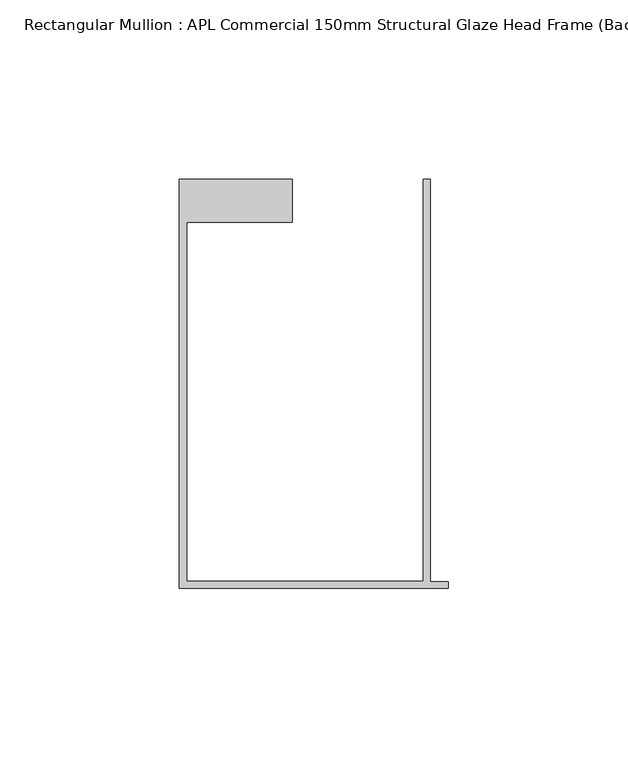
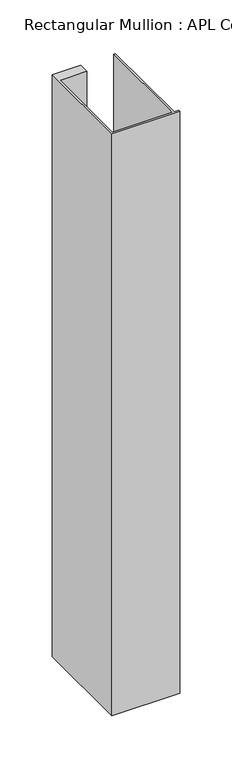
"""IFC4 building model written with IfcOpenShell, lengths in millimetres: member geometry, Rectangular Mullion : APL Commercial 150mm Structural Glaze Head Frame (Back)."""

from ifc_helpers import new_model, si_unit, frame, origin, place, context, project, spatial, polyline, outline, extrude, source, transform, mapped, element, save


def rectangular_mullion_apl_commercial_150mm_structural_glaze_837f04c7(model_context):
    return source(origin(), model_context, "Body", "SweptSolid", [
        extrude(outline(polyline([(-75.0, -128.9993063), (-75.0, -14.9998342), (-43.5000151, -14.9998342), (-43.5000151, -26.9997514), (-73.0, -26.9997514), (-73.0, -126.9993063), (-7.0, -126.9993063), (-7.0, -14.9998342), (-5.0, -14.9998342), (-5.0, -127.1993063), (0.0, -127.1993063), (0.0, -128.9993063), (-75.0, -128.9993063)])), frame((0.0, 0.0, -680.5785324), z_axis=(0.0, 0.0, 1.0), x_axis=(1.0, 0.0, 0.0)), (0.0, 0.0, 1.0), 680.5785324),
    ])


if __name__ == "__main__":
    model = new_model("IFC4")
    model_context = context("Model", 3, world=origin())
    ifc_project = project(units=[si_unit("LENGTHUNIT", "METRE", prefix="MILLI")], contexts=[model_context])
    site = spatial("IfcSite", under=ifc_project)
    building = spatial("IfcBuilding", under=site)
    placement = place(None, origin())
    rectangular_mullion_apl_commercial_150mm_structural_glaze_shape = rectangular_mullion_apl_commercial_150mm_structural_glaze_837f04c7(model_context)
    element("IfcMember", 1, ObjectType="Rectangular Mullion : APL Commercial 150mm Structural Glaze Head Frame (Back)", at=placement, inside=building, context=model_context, shape_type="MappedRepresentation", body=[
        mapped(rectangular_mullion_apl_commercial_150mm_structural_glaze_shape, transform((0.0, 0.0, 0.0), x_axis=(1.0, 0.0, 0.0), y_axis=(0.0, 1.0, 0.0), z_axis=(0.0, 0.0, 1.0))),
    ])
    save(model, "model.ifc")
